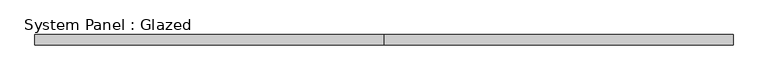
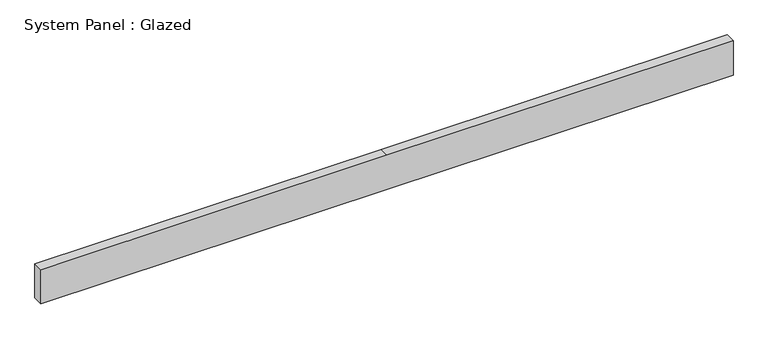
"""IFC4 building model written with IfcOpenShell, lengths in millimetres: plate geometry, System Panel : Glazed."""

import ifcopenshell
import ifcopenshell.guid

model = None  # the IFC model being written
_history = None  # IfcOwnerHistory: only IFC2X3 demands one
_inside = {}  # id of a spatial element -> (the spatial element, [elements in it])
_under = {}  # id of a project, library or spatial element -> (it, [spatial elements below it])
_declared = {}  # id of a project -> (the project, [libraries it declares])
_typed = {}  # id of a type object -> (the type object, [elements of that type])
_made_of = {}  # id of a material, layer set ... -> (it, [elements and type objects made of it])


def new_model(schema):
    """Start an empty IFC model of exactly this schema.

    Asked for "IFC4X3", IfcOpenShell would pick the latest addendum, in which some entities
    have other attributes; the version numbers below select the first issue.
    IFC2X3 requires an IfcOwnerHistory on every rooted entity: one is made here for all.
    """
    global model, _history
    if schema == "IFC4X3":
        model = ifcopenshell.file(schema_version=(4, 3, 0, 0))
    else:
        model = ifcopenshell.file(schema=schema)
    _inside.clear()
    _under.clear()
    _declared.clear()
    _typed.clear()
    _made_of.clear()
    _history = None
    if model.schema == "IFC2X3":
        org = make("IfcOrganization", Name="unknown")
        user = make(
            "IfcPersonAndOrganization",
            ThePerson=make("IfcPerson", FamilyName="unknown"),
            TheOrganization=org,
        )
        app = make(
            "IfcApplication",
            ApplicationDeveloper=org,
            Version="unknown",
            ApplicationFullName="unknown",
            ApplicationIdentifier="unknown",
        )
        _history = make(
            "IfcOwnerHistory",
            OwningUser=user,
            OwningApplication=app,
            ChangeAction="ADDED",
            CreationDate=0,
        )
    return model


def make(cls, **values):
    """One entity of the class cls with the attributes given. An attribute that is None is left unset."""
    return model.create_entity(
        cls, **{name: value for name, value in values.items() if value is not None}
    )


def rooted(cls, **values):
    """An entity with a GlobalId (a new one), such as an element, a storey or a relation."""
    return make(cls, GlobalId=ifcopenshell.guid.new(), OwnerHistory=_history, **values)


def si_unit(unit_type, name, prefix=None):
    """IfcSIUnit, for example si_unit("LENGTHUNIT", "METRE", prefix="MILLI")."""
    return make("IfcSIUnit", UnitType=unit_type, Prefix=prefix, Name=name)


def assignment(units):
    """IfcUnitAssignment: the units of a project."""
    return None if units is None else make("IfcUnitAssignment", Units=units)


def point(xyz):
    """IfcCartesianPoint."""
    return None if xyz is None else make("IfcCartesianPoint", Coordinates=xyz)


def direction(xyz):
    """IfcDirection."""
    return None if xyz is None else make("IfcDirection", DirectionRatios=xyz)


def frame(location, z_axis=None, x_axis=None):
    """IfcAxis2Placement3D, a coordinate frame: its origin and axes. An axis left out is left unset."""
    return make(
        "IfcAxis2Placement3D",
        Location=point(location),
        Axis=direction(z_axis),
        RefDirection=direction(x_axis),
    )


def origin():
    """The frame at (0, 0, 0) with its axes left unset."""
    return frame((0.0, 0.0, 0.0))


def place(relative_to, where):
    """IfcLocalPlacement: puts the frame where relative to a parent placement (None: the world)."""
    return make(
        "IfcLocalPlacement", PlacementRelTo=relative_to, RelativePlacement=where
    )


def context(
    kind, dimensions, precision=None, world=None, true_north=None, identifier=None
):
    """IfcGeometricRepresentationContext, for example the 3D "Model" context."""
    return make(
        "IfcGeometricRepresentationContext",
        ContextIdentifier=identifier,
        ContextType=kind,
        CoordinateSpaceDimension=dimensions,
        Precision=precision,
        WorldCoordinateSystem=world,
        TrueNorth=true_north,
    )


def project(units=None, contexts=None):
    """IfcProject with its units and contexts."""
    return rooted(
        "IfcProject",
        Name="project",
        RepresentationContexts=contexts,
        UnitsInContext=assignment(units),
    )


def spatial(cls, under=None, at=None, **own):
    """A site, building, storey or space (cls), placed at a placement, below another one or the project."""
    s = rooted(cls, ObjectPlacement=at, **own)
    if under is not None:
        _under.setdefault(under.id(), (under, []))[1].append(s)
    return s


def polyline(points):
    """IfcPolyline through the points."""
    return make("IfcPolyline", Points=[point(p) for p in points])


def outline(outer, holes=None, kind="AREA"):
    """IfcArbitraryClosedProfileDef: a profile drawn as a closed curve; with holes, ...WithVoids."""
    if holes is None:
        return make("IfcArbitraryClosedProfileDef", ProfileType=kind, OuterCurve=outer)
    return make(
        "IfcArbitraryProfileDefWithVoids",
        ProfileType=kind,
        OuterCurve=outer,
        InnerCurves=holes,
    )


def extrude(swept, where, along, depth):
    """IfcExtrudedAreaSolid: the profile swept, set in the frame where, extruded along a direction by depth."""
    return make(
        "IfcExtrudedAreaSolid",
        SweptArea=swept,
        Position=where,
        ExtrudedDirection=direction(along),
        Depth=depth,
    )


def shape(context_of_items, identifier, shape_type, items):
    """IfcShapeRepresentation: the items that make up one representation, for example the "Body"."""
    return make(
        "IfcShapeRepresentation",
        ContextOfItems=context_of_items,
        RepresentationIdentifier=identifier,
        RepresentationType=shape_type,
        Items=items,
    )


def source(mapping_origin, context_of_items, identifier, shape_type, items):
    """IfcRepresentationMap: a shape defined once, which mapped items show again and again."""
    return make(
        "IfcRepresentationMap",
        MappingOrigin=mapping_origin,
        MappedRepresentation=shape(context_of_items, identifier, shape_type, items),
    )


def transform(
    local_origin,
    x_axis=None,
    y_axis=None,
    z_axis=None,
    scale=None,
    scale2=None,
    scale3=None,
    uniform=True,
):
    """IfcCartesianTransformationOperator3D, or its non-uniform kind. x_axis, y_axis, z_axis: its Axis1, 2, 3."""
    if uniform:
        return make(
            "IfcCartesianTransformationOperator3D",
            Axis1=direction(x_axis),
            Axis2=direction(y_axis),
            LocalOrigin=point(local_origin),
            Scale=scale,
            Axis3=direction(z_axis),
        )
    return make(
        "IfcCartesianTransformationOperator3DnonUniform",
        Axis1=direction(x_axis),
        Axis2=direction(y_axis),
        LocalOrigin=point(local_origin),
        Scale=scale,
        Axis3=direction(z_axis),
        Scale2=scale2,
        Scale3=scale3,
    )


def mapped(mapping_source, mapping_target):
    """IfcMappedItem: shows the shape of a source again, moved by a transform."""
    return make(
        "IfcMappedItem", MappingSource=mapping_source, MappingTarget=mapping_target
    )


def made_of(thing, what):
    """Note that an element or type object is made of a material, layer set ...; save() writes the relation."""
    if what is not None:
        _made_of.setdefault(what.id(), (what, []))[1].append(thing)
    return thing


def element(
    cls,
    number,
    at=None,
    inside=None,
    cuts=None,
    type_object=None,
    material=None,
    context=None,
    identifier="Body",
    shape_type=None,
    held_by="IfcProductDefinitionShape",
    body=None,
    shapes=None,
    **own,
):
    """One element of the class cls, such as IfcWall. Its Tag is "e" and its number.

    at: its placement. inside: the storey or other place that contains it. cuts: it is an
    opening in that element (IfcRelVoidsElement). A single representation is given by context,
    identifier, shape_type and body (its items); several are given by shapes. held_by: the class
    of the entity that holds the representations. save() writes the other relations.
    """
    e = rooted(cls, Tag="e%d" % number, ObjectPlacement=at, **own)
    if body is not None:
        shapes = [shape(context, identifier, shape_type, body)]
    if shapes is not None:
        e.Representation = make(held_by, Representations=shapes)
    if inside is not None:
        _inside.setdefault(inside.id(), (inside, []))[1].append(e)
    if cuts is not None:
        rooted(
            "IfcRelVoidsElement", RelatingBuildingElement=cuts, RelatedOpeningElement=e
        )
    if type_object is not None:
        _typed.setdefault(type_object.id(), (type_object, []))[1].append(e)
    return made_of(e, material)


def aggregate(whole, parts):
    """IfcRelAggregates: a whole, such as a stair, and the parts it consists of."""
    return rooted("IfcRelAggregates", RelatingObject=whole, RelatedObjects=parts)


def save(model, path):
    """Write the relations noted so far, then the file.

    IfcRelAggregates (storeys below a building ...), IfcRelContainedInSpatialStructure (elements
    in a storey), IfcRelDefinesByType, IfcRelAssociatesMaterial and IfcRelDeclares: one each for
    every whole, place, type object, material and project.
    """
    for whole, parts in _under.values():
        aggregate(whole, parts)
    for where, things in _inside.values():
        rooted(
            "IfcRelContainedInSpatialStructure",
            RelatedElements=things,
            RelatingStructure=where,
        )
    for kind, things in _typed.values():
        rooted("IfcRelDefinesByType", RelatedObjects=things, RelatingType=kind)
    for what, things in _made_of.values():
        rooted("IfcRelAssociatesMaterial", RelatedObjects=things, RelatingMaterial=what)
    for by, libraries in _declared.values():
        rooted("IfcRelDeclares", RelatingContext=by, RelatedDefinitions=libraries)
    model.write(path)


def system_panel_glazed_e53fe241(model_context):
    return source(origin(), model_context, "Body", "SweptSolid", [
        extrude(outline(polyline([(0.0, -850.9), (0.0, 0.0), (0.0, 850.9), (88.9, 850.9), (88.9, 0.0), (88.9, -850.9), (0.0, -850.9)])), frame((0.0, 19.05, 0.0), z_axis=(0.0, 1.0, 0.0), x_axis=(0.0, 0.0, 1.0)), (0.0, 0.0, 1.0), 25.4),
    ])


if __name__ == "__main__":
    model = new_model("IFC4")
    model_context = context("Model", 3, world=origin())
    ifc_project = project(units=[si_unit("LENGTHUNIT", "METRE", prefix="MILLI")], contexts=[model_context])
    site = spatial("IfcSite", under=ifc_project)
    building = spatial("IfcBuilding", under=site)
    placement = place(None, origin())
    system_panel_glazed_shape = system_panel_glazed_e53fe241(model_context)
    element("IfcPlate", 1, ObjectType="System Panel : Glazed", at=placement, inside=building, context=model_context, shape_type="MappedRepresentation", body=[
        mapped(system_panel_glazed_shape, transform((0.0, 0.0, 0.0), x_axis=(1.0, 0.0, 0.0), y_axis=(0.0, 1.0, 0.0), z_axis=(0.0, 0.0, 1.0))),
    ])
    save(model, "model.ifc")
